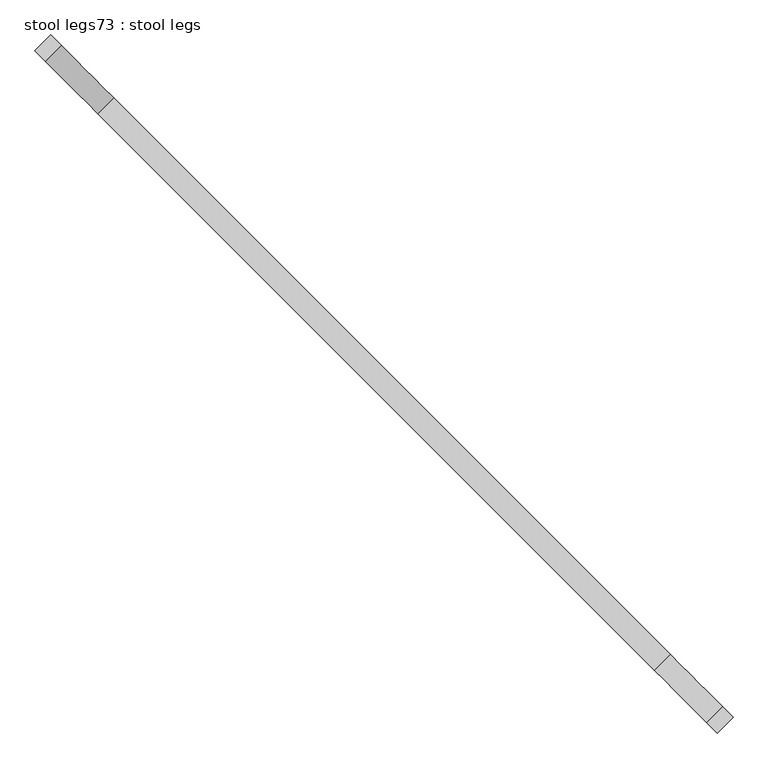
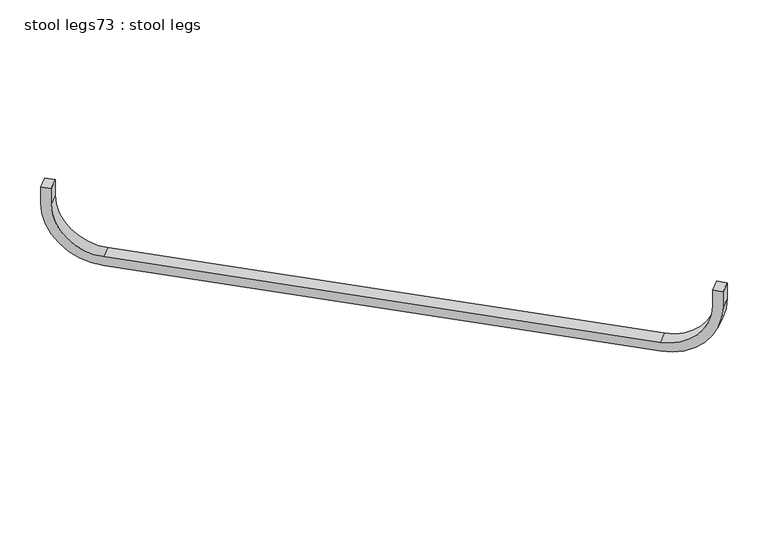
"""IFC4 building model written with IfcOpenShell, lengths in millimetres: furniture geometry, stool legs73 : stool legs."""

import ifcopenshell
import ifcopenshell.guid

model = None  # the IFC model being written
_history = None  # IfcOwnerHistory: only IFC2X3 demands one
_inside = {}  # id of a spatial element -> (the spatial element, [elements in it])
_under = {}  # id of a project, library or spatial element -> (it, [spatial elements below it])
_declared = {}  # id of a project -> (the project, [libraries it declares])
_typed = {}  # id of a type object -> (the type object, [elements of that type])
_made_of = {}  # id of a material, layer set ... -> (it, [elements and type objects made of it])


def new_model(schema):
    """Start an empty IFC model of exactly this schema.

    Asked for "IFC4X3", IfcOpenShell would pick the latest addendum, in which some entities
    have other attributes; the version numbers below select the first issue.
    IFC2X3 requires an IfcOwnerHistory on every rooted entity: one is made here for all.
    """
    global model, _history
    if schema == "IFC4X3":
        model = ifcopenshell.file(schema_version=(4, 3, 0, 0))
    else:
        model = ifcopenshell.file(schema=schema)
    _inside.clear()
    _under.clear()
    _declared.clear()
    _typed.clear()
    _made_of.clear()
    _history = None
    if model.schema == "IFC2X3":
        org = make("IfcOrganization", Name="unknown")
        user = make(
            "IfcPersonAndOrganization",
            ThePerson=make("IfcPerson", FamilyName="unknown"),
            TheOrganization=org,
        )
        app = make(
            "IfcApplication",
            ApplicationDeveloper=org,
            Version="unknown",
            ApplicationFullName="unknown",
            ApplicationIdentifier="unknown",
        )
        _history = make(
            "IfcOwnerHistory",
            OwningUser=user,
            OwningApplication=app,
            ChangeAction="ADDED",
            CreationDate=0,
        )
    return model


def make(cls, **values):
    """One entity of the class cls with the attributes given. An attribute that is None is left unset."""
    return model.create_entity(
        cls, **{name: value for name, value in values.items() if value is not None}
    )


def rooted(cls, **values):
    """An entity with a GlobalId (a new one), such as an element, a storey or a relation."""
    return make(cls, GlobalId=ifcopenshell.guid.new(), OwnerHistory=_history, **values)


def si_unit(unit_type, name, prefix=None):
    """IfcSIUnit, for example si_unit("LENGTHUNIT", "METRE", prefix="MILLI")."""
    return make("IfcSIUnit", UnitType=unit_type, Prefix=prefix, Name=name)


def assignment(units):
    """IfcUnitAssignment: the units of a project."""
    return None if units is None else make("IfcUnitAssignment", Units=units)


def point(xyz):
    """IfcCartesianPoint."""
    return None if xyz is None else make("IfcCartesianPoint", Coordinates=xyz)


def direction(xyz):
    """IfcDirection."""
    return None if xyz is None else make("IfcDirection", DirectionRatios=xyz)


def frame(location, z_axis=None, x_axis=None):
    """IfcAxis2Placement3D, a coordinate frame: its origin and axes. An axis left out is left unset."""
    return make(
        "IfcAxis2Placement3D",
        Location=point(location),
        Axis=direction(z_axis),
        RefDirection=direction(x_axis),
    )


def frame_2d(location, x_axis=None):
    """IfcAxis2Placement2D, a coordinate frame in the plane: its origin and x axis."""
    return make(
        "IfcAxis2Placement2D", Location=point(location), RefDirection=direction(x_axis)
    )


def origin():
    """The frame at (0, 0, 0) with its axes left unset."""
    return frame((0.0, 0.0, 0.0))


def place(relative_to, where):
    """IfcLocalPlacement: puts the frame where relative to a parent placement (None: the world)."""
    return make(
        "IfcLocalPlacement", PlacementRelTo=relative_to, RelativePlacement=where
    )


def context(
    kind, dimensions, precision=None, world=None, true_north=None, identifier=None
):
    """IfcGeometricRepresentationContext, for example the 3D "Model" context."""
    return make(
        "IfcGeometricRepresentationContext",
        ContextIdentifier=identifier,
        ContextType=kind,
        CoordinateSpaceDimension=dimensions,
        Precision=precision,
        WorldCoordinateSystem=world,
        TrueNorth=true_north,
    )


def project(units=None, contexts=None):
    """IfcProject with its units and contexts."""
    return rooted(
        "IfcProject",
        Name="project",
        RepresentationContexts=contexts,
        UnitsInContext=assignment(units),
    )


def spatial(cls, under=None, at=None, **own):
    """A site, building, storey or space (cls), placed at a placement, below another one or the project."""
    s = rooted(cls, ObjectPlacement=at, **own)
    if under is not None:
        _under.setdefault(under.id(), (under, []))[1].append(s)
    return s


def polyline(points):
    """IfcPolyline through the points."""
    return make("IfcPolyline", Points=[point(p) for p in points])


def circle_curve(where, radius):
    """IfcCircle in the frame where."""
    return make("IfcCircle", Position=where, Radius=radius)


def trimmed(basis, trim1, trim2, sense, master):
    """IfcTrimmedCurve: the piece of a basis curve between two trims."""
    return make(
        "IfcTrimmedCurve",
        BasisCurve=basis,
        Trim1=trim1,
        Trim2=trim2,
        SenseAgreement=sense,
        MasterRepresentation=master,
    )


def segment(curve, same_sense, transition):
    """IfcCompositeCurveSegment."""
    return make(
        "IfcCompositeCurveSegment",
        Transition=transition,
        SameSense=same_sense,
        ParentCurve=curve,
    )


def composite_curve(segments, self_intersect=None):
    """IfcCompositeCurve: segments joined end to end."""
    return make("IfcCompositeCurve", Segments=segments, SelfIntersect=self_intersect)


def outline(outer, holes=None, kind="AREA"):
    """IfcArbitraryClosedProfileDef: a profile drawn as a closed curve; with holes, ...WithVoids."""
    if holes is None:
        return make("IfcArbitraryClosedProfileDef", ProfileType=kind, OuterCurve=outer)
    return make(
        "IfcArbitraryProfileDefWithVoids",
        ProfileType=kind,
        OuterCurve=outer,
        InnerCurves=holes,
    )


def extrude(swept, where, along, depth):
    """IfcExtrudedAreaSolid: the profile swept, set in the frame where, extruded along a direction by depth."""
    return make(
        "IfcExtrudedAreaSolid",
        SweptArea=swept,
        Position=where,
        ExtrudedDirection=direction(along),
        Depth=depth,
    )


def shape(context_of_items, identifier, shape_type, items):
    """IfcShapeRepresentation: the items that make up one representation, for example the "Body"."""
    return make(
        "IfcShapeRepresentation",
        ContextOfItems=context_of_items,
        RepresentationIdentifier=identifier,
        RepresentationType=shape_type,
        Items=items,
    )


def source(mapping_origin, context_of_items, identifier, shape_type, items):
    """IfcRepresentationMap: a shape defined once, which mapped items show again and again."""
    return make(
        "IfcRepresentationMap",
        MappingOrigin=mapping_origin,
        MappedRepresentation=shape(context_of_items, identifier, shape_type, items),
    )


def transform(
    local_origin,
    x_axis=None,
    y_axis=None,
    z_axis=None,
    scale=None,
    scale2=None,
    scale3=None,
    uniform=True,
):
    """IfcCartesianTransformationOperator3D, or its non-uniform kind. x_axis, y_axis, z_axis: its Axis1, 2, 3."""
    if uniform:
        return make(
            "IfcCartesianTransformationOperator3D",
            Axis1=direction(x_axis),
            Axis2=direction(y_axis),
            LocalOrigin=point(local_origin),
            Scale=scale,
            Axis3=direction(z_axis),
        )
    return make(
        "IfcCartesianTransformationOperator3DnonUniform",
        Axis1=direction(x_axis),
        Axis2=direction(y_axis),
        LocalOrigin=point(local_origin),
        Scale=scale,
        Axis3=direction(z_axis),
        Scale2=scale2,
        Scale3=scale3,
    )


def mapped(mapping_source, mapping_target):
    """IfcMappedItem: shows the shape of a source again, moved by a transform."""
    return make(
        "IfcMappedItem", MappingSource=mapping_source, MappingTarget=mapping_target
    )


def made_of(thing, what):
    """Note that an element or type object is made of a material, layer set ...; save() writes the relation."""
    if what is not None:
        _made_of.setdefault(what.id(), (what, []))[1].append(thing)
    return thing


def element(
    cls,
    number,
    at=None,
    inside=None,
    cuts=None,
    type_object=None,
    material=None,
    context=None,
    identifier="Body",
    shape_type=None,
    held_by="IfcProductDefinitionShape",
    body=None,
    shapes=None,
    **own,
):
    """One element of the class cls, such as IfcWall. Its Tag is "e" and its number.

    at: its placement. inside: the storey or other place that contains it. cuts: it is an
    opening in that element (IfcRelVoidsElement). A single representation is given by context,
    identifier, shape_type and body (its items); several are given by shapes. held_by: the class
    of the entity that holds the representations. save() writes the other relations.
    """
    e = rooted(cls, Tag="e%d" % number, ObjectPlacement=at, **own)
    if body is not None:
        shapes = [shape(context, identifier, shape_type, body)]
    if shapes is not None:
        e.Representation = make(held_by, Representations=shapes)
    if inside is not None:
        _inside.setdefault(inside.id(), (inside, []))[1].append(e)
    if cuts is not None:
        rooted(
            "IfcRelVoidsElement", RelatingBuildingElement=cuts, RelatedOpeningElement=e
        )
    if type_object is not None:
        _typed.setdefault(type_object.id(), (type_object, []))[1].append(e)
    return made_of(e, material)


def aggregate(whole, parts):
    """IfcRelAggregates: a whole, such as a stair, and the parts it consists of."""
    return rooted("IfcRelAggregates", RelatingObject=whole, RelatedObjects=parts)


def save(model, path):
    """Write the relations noted so far, then the file.

    IfcRelAggregates (storeys below a building ...), IfcRelContainedInSpatialStructure (elements
    in a storey), IfcRelDefinesByType, IfcRelAssociatesMaterial and IfcRelDeclares: one each for
    every whole, place, type object, material and project.
    """
    for whole, parts in _under.values():
        aggregate(whole, parts)
    for where, things in _inside.values():
        rooted(
            "IfcRelContainedInSpatialStructure",
            RelatedElements=things,
            RelatingStructure=where,
        )
    for kind, things in _typed.values():
        rooted("IfcRelDefinesByType", RelatedObjects=things, RelatingType=kind)
    for what, things in _made_of.values():
        rooted("IfcRelAssociatesMaterial", RelatedObjects=things, RelatingMaterial=what)
    for by, libraries in _declared.values():
        rooted("IfcRelDeclares", RelatingContext=by, RelatedDefinitions=libraries)
    model.write(path)


def stool_legs73_stool_legs_86436c09(model_context):
    return source(origin(), model_context, "Body", "SweptSolid", [
        extrude(outline(composite_curve([segment(polyline([(0.0, 254.0), (-44.45, 254.0), (-44.45, 279.4000001), (0.0, 279.4000001)]), True, "CONTINUOUS"), segment(trimmed(circle_curve(frame_2d((0.0, 127.0)), 152.4), [point((0.0, 279.4000001))], [point((152.4, 127.0))], False, "CARTESIAN"), True, "CONTINUOUS"), segment(polyline([(152.4, 127.0), (152.4, -1219.2)]), True, "CONTINUOUS"), segment(trimmed(circle_curve(frame_2d((0.0, -1219.2)), 152.4), [point((152.4, -1219.2))], [point((0.0, -1371.6))], False, "CARTESIAN"), True, "CONTINUOUS"), segment(polyline([(0.0, -1371.6), (-44.45, -1371.6), (-44.45, -1346.2), (0.0, -1346.2)]), True, "CONTINUOUS"), segment(trimmed(circle_curve(frame_2d((0.0, -1219.2)), 127.0), [point((0.0, -1346.2))], [point((127.0, -1219.2))], True, "CARTESIAN"), True, "CONTINUOUS"), segment(polyline([(127.0, -1219.2), (127.0, 127.0)]), True, "CONTINUOUS"), segment(trimmed(circle_curve(frame_2d((0.0, 127.0)), 127.0), [point((127.0, 127.0))], [point((0.0, 254.0))], True, "CARTESIAN"), True, "CONTINUOUS")], self_intersect=False)), frame((-120319.0190141, -36379.9643876, 412.75), z_axis=(0.7071067811865763, 0.7071067811865187, 0.0), x_axis=(0.0, 0.0, -1.0)), (0.0, 0.0, 1.0), 38.1),
    ])


if __name__ == "__main__":
    model = new_model("IFC4")
    model_context = context("Model", 3, world=origin())
    ifc_project = project(units=[si_unit("LENGTHUNIT", "METRE", prefix="MILLI")], contexts=[model_context])
    site = spatial("IfcSite", under=ifc_project)
    building = spatial("IfcBuilding", under=site)
    placement = place(None, origin())
    stool_legs73_stool_legs_shape = stool_legs73_stool_legs_86436c09(model_context)
    element("IfcFurniture", 1, ObjectType="stool legs73 : stool legs", at=placement, inside=building, context=model_context, shape_type="MappedRepresentation", body=[
        mapped(stool_legs73_stool_legs_shape, transform((0.0, 0.0, 0.0), x_axis=(1.0, 0.0, 0.0), y_axis=(0.0, 1.0, 0.0), z_axis=(0.0, 0.0, 1.0))),
    ])
    save(model, "model.ifc")
